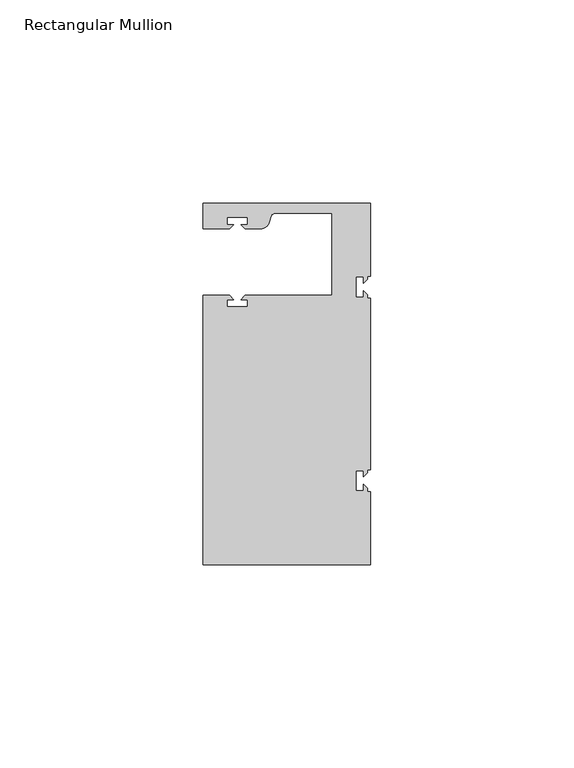
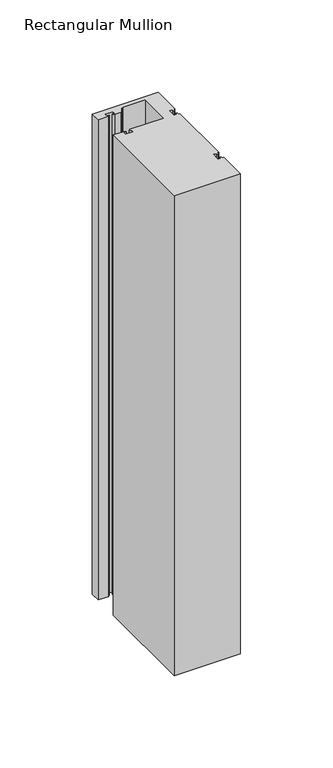
"""IFC4 building model written with IfcOpenShell, lengths in millimetres: member geometry, Rectangular Mullion."""

from ifc_helpers import new_model, si_unit, point, frame, frame_2d, origin, place, context, project, spatial, polyline, circle_curve, trimmed, segment, composite_curve, outline, extrude, source, transform, mapped, element, save


def rectangular_mullion_58d2b21d(model_context):
    return source(origin(), model_context, "Body", "SweptSolid", [
        extrude(outline(composite_curve([segment(polyline([(0.0, 44.45), (0.0, 26.5319902), (-0.79375, 26.5319902), (-0.79375, 25.7382402), (-1.7937657, 24.7382245), (-1.7937657, 26.3124974), (-3.5938131, 26.3124974), (-3.5938131, 21.3125026), (-1.7937657, 21.3125026), (-1.7937657, 22.88674), (-0.79375, 21.8867243), (-0.79375, 21.0930098), (0.0, 21.0930098), (0.0, -21.0930098), (-0.79375, -21.0930098), (-0.79375, -21.8867598), (-1.7937657, -22.8867755), (-1.7937657, -21.3125026), (-3.5938131, -21.3125026), (-3.5938131, -26.3124974), (-1.7937657, -26.3124974), (-1.7937657, -24.73826), (-0.79375, -25.7382757), (-0.79375, -26.5319902), (0.0, -26.5319902), (0.0, -44.45), (-41.275, -44.45), (-41.275, 21.749999), (-34.8007562, 21.749999), (-33.8007405, 20.7499834), (-35.3750134, 20.7499834), (-35.3750134, 18.949936), (-30.3750186, 18.949936), (-30.3750186, 20.7499834), (-31.949256, 20.7499834), (-30.9492434, 21.7499959), (-9.525, 21.7499959), (-9.525, 41.95), (-23.5599329, 41.95)]), True, "CONTINUOUS"), segment(trimmed(circle_curve(frame_2d((-23.5599329, 40.9500001)), 1.0), [point((-23.5599329, 41.95))], [point((-24.5258588, 41.2088192))], True, "CARTESIAN"), True, "CONTINUOUS"), segment(polyline([(-24.5258588, 41.2088192), (-24.8489707, 40.002949)]), True, "CONTINUOUS"), segment(trimmed(circle_curve(frame_2d((-27.2637853, 40.6499966)), 2.5), [point((-24.8489707, 40.002949))], [point((-27.2637853, 38.1499966))], False, "CARTESIAN"), True, "CONTINUOUS"), segment(polyline([(-27.2637853, 38.1499966), (-30.9492503, 38.1499966), (-31.949256, 39.1500023), (-30.3749831, 39.1500023), (-30.3749831, 40.9498819), (-35.3749778, 40.9498819), (-35.3749778, 39.1500023), (-33.8007405, 39.1500023), (-34.8007531, 38.1499897), (-41.2749977, 38.1499897), (-41.2749977, 44.45), (0.0, 44.45)]), True, "CONTINUOUS")], self_intersect=False)), frame((0.0, 0.0, -317.5), z_axis=(0.0, 0.0, 1.0), x_axis=(1.0, 0.0, 0.0)), (0.0, 0.0, 1.0), 317.5),
    ])


if __name__ == "__main__":
    model = new_model("IFC4")
    model_context = context("Model", 3, world=origin())
    ifc_project = project(units=[si_unit("LENGTHUNIT", "METRE", prefix="MILLI")], contexts=[model_context])
    site = spatial("IfcSite", under=ifc_project)
    building = spatial("IfcBuilding", under=site)
    placement = place(None, origin())
    rectangular_mullion_shape = rectangular_mullion_58d2b21d(model_context)
    element("IfcMember", 1, ObjectType="Rectangular Mullion", at=placement, inside=building, context=model_context, shape_type="MappedRepresentation", body=[
        mapped(rectangular_mullion_shape, transform((0.0, 0.0, 0.0), x_axis=(1.0, 0.0, 0.0), y_axis=(0.0, 1.0, 0.0), z_axis=(0.0, 0.0, 1.0))),
    ])
    save(model, "model.ifc")
